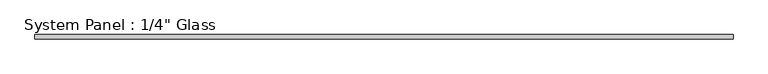
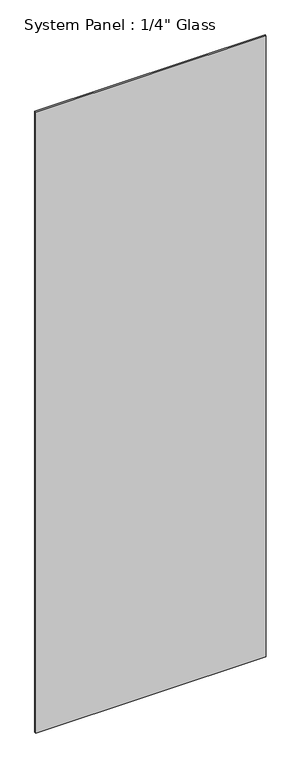
"""IFC4 building model written with IfcOpenShell, lengths in millimetres: plate geometry."""

from ifc_helpers import new_model, si_unit, frame, origin, place, context, project, spatial, polyline, outline, extrude, source, transform, mapped, element, save


def plate_81fb1615(model_context):
    return source(origin(), model_context, "Body", "SweptSolid", [
        extrude(outline(polyline([(0.0, -519.90625), (0.0, 519.90625), (1498.6, 519.90625), (2959.1, 519.90625), (2959.1, -519.90625), (1498.6, -519.90625), (0.0, -519.90625)])), frame((0.0, -3.175, 0.0), z_axis=(0.0, 1.0, 0.0), x_axis=(0.0, 0.0, 1.0)), (0.0, 0.0, 1.0), 6.35),
    ])


if __name__ == "__main__":
    model = new_model("IFC4")
    model_context = context("Model", 3, world=origin())
    ifc_project = project(units=[si_unit("LENGTHUNIT", "METRE", prefix="MILLI")], contexts=[model_context])
    site = spatial("IfcSite", under=ifc_project)
    building = spatial("IfcBuilding", under=site)
    placement = place(None, origin())
    plate_shape = plate_81fb1615(model_context)
    element("IfcPlate", 1, ObjectType="System Panel : 1/4\" Glass", at=placement, inside=building, context=model_context, shape_type="MappedRepresentation", body=[
        mapped(plate_shape, transform((0.0, 0.0, 0.0), x_axis=(1.0, 0.0, 0.0), y_axis=(0.0, 1.0, 0.0), z_axis=(0.0, 0.0, 1.0))),
    ])
    save(model, "model.ifc")
